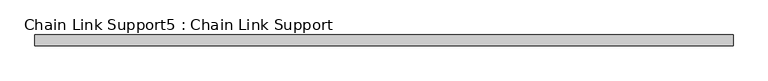
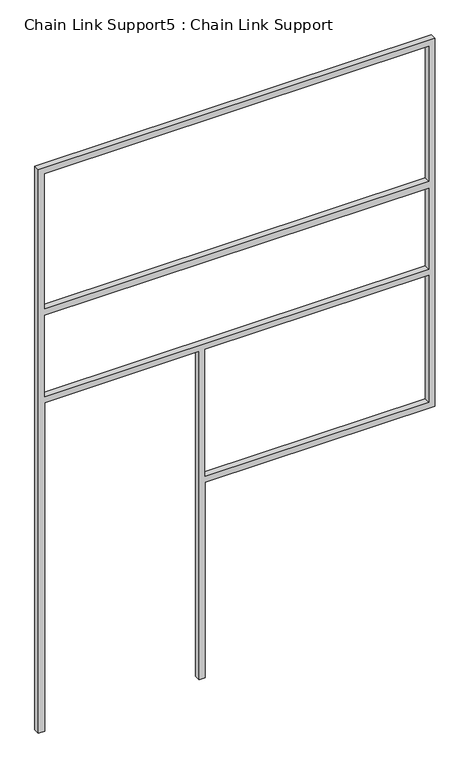
"""IFC4 building model written with IfcOpenShell, lengths in millimetres: proxy geometry, Chain Link Support5 : Chain Link Support."""

from ifc_helpers import new_model, si_unit, frame, origin, place, context, project, spatial, polyline, outline, extrude, source, transform, mapped, element, save


def chain_link_support5_chain_link_support_51a4b761(model_context):
    return source(origin(), model_context, "Body", "SweptSolid", [
        extrude(outline(polyline([(3657.6, -19175.7868371), (0.0, -19175.7868371), (0.0, -19137.6868371), (2133.6, -19137.6868371), (2133.6, -18188.3618371), (0.0, -18188.3618371), (0.0, -18150.2618371), (1270.0, -18150.2618371), (1270.0, -16737.3868371), (3657.6, -16737.3868371), (3657.6, -19175.7868371)]), holes=[polyline([(2743.2, -19137.6868371), (3619.5, -19137.6868371), (3619.5, -16775.4868371), (2743.2, -16775.4868371), (2743.2, -19137.6868371)]), polyline([(1308.1, -16775.4868371), (1308.1, -18150.2618371), (2133.6, -18150.2618371), (2133.6, -16775.4868371), (1308.1, -16775.4868371)]), polyline([(2171.7, -19137.6868371), (2698.75, -19137.6868371), (2698.75, -16775.4868371), (2171.7, -16775.4868371), (2171.7, -19137.6868371)])]), frame((0.0, 17069.4163978, 0.0), z_axis=(0.0, 1.0, 0.0), x_axis=(0.0, 0.0, 1.0)), (0.0, 0.0, 1.0), 38.1),
    ])


if __name__ == "__main__":
    model = new_model("IFC4")
    model_context = context("Model", 3, world=origin())
    ifc_project = project(units=[si_unit("LENGTHUNIT", "METRE", prefix="MILLI")], contexts=[model_context])
    site = spatial("IfcSite", under=ifc_project)
    building = spatial("IfcBuilding", under=site)
    placement = place(None, origin())
    chain_link_support5_chain_link_support_shape = chain_link_support5_chain_link_support_51a4b761(model_context)
    element("IfcBuildingElementProxy", 1, Name="Chain Link Support5 : Chain Link Support", ObjectType="Chain Link Support5 : Chain Link Support", at=placement, inside=building, context=model_context, shape_type="MappedRepresentation", body=[
        mapped(chain_link_support5_chain_link_support_shape, transform((0.0, 0.0, 0.0), x_axis=(1.0, 0.0, 0.0), y_axis=(0.0, 1.0, 0.0), z_axis=(0.0, 0.0, 1.0))),
    ])
    save(model, "model.ifc")
